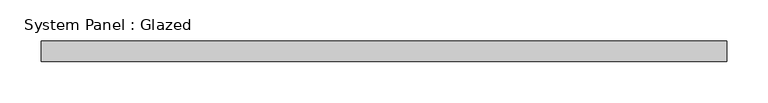
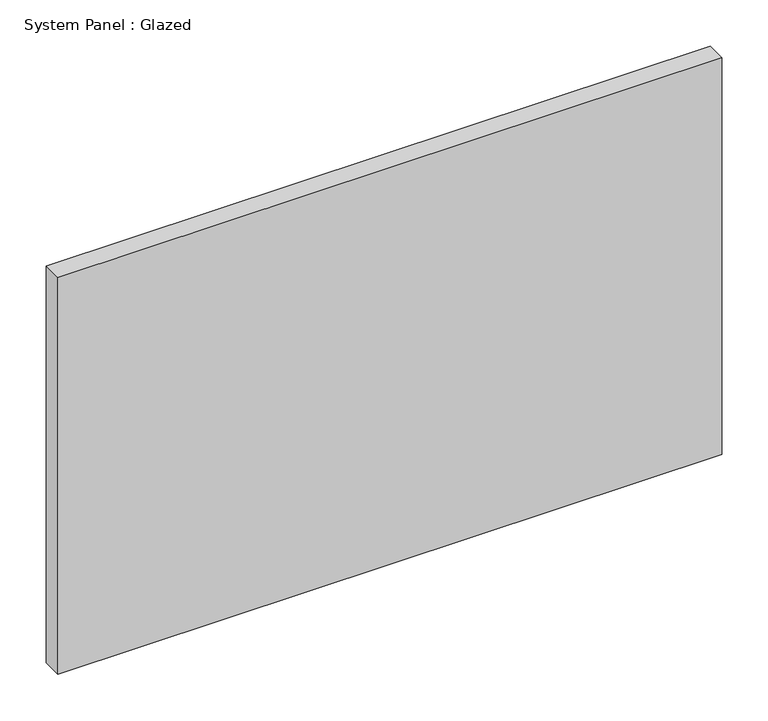
"""IFC4 building model written with IfcOpenShell, lengths in millimetres: plate geometry, System Panel : Glazed."""

from ifc_helpers import new_model, si_unit, origin, origin_with_axes, place, context, project, spatial, polyline, outline, extrude, source, transform, mapped, element, save


def system_panel_glazed_7b7d3f13(model_context):
    return source(origin(), model_context, "Body", "SweptSolid", [
        extrude(outline(polyline([(415.0, 24.5), (-415.0, 24.5), (-415.0, 49.5), (415.0, 49.5), (415.0, 24.5)])), origin_with_axes(), (0.0, 0.0, 1.0), 525.0),
    ])


if __name__ == "__main__":
    model = new_model("IFC4")
    model_context = context("Model", 3, world=origin())
    ifc_project = project(units=[si_unit("LENGTHUNIT", "METRE", prefix="MILLI")], contexts=[model_context])
    site = spatial("IfcSite", under=ifc_project)
    building = spatial("IfcBuilding", under=site)
    placement = place(None, origin())
    system_panel_glazed_shape = system_panel_glazed_7b7d3f13(model_context)
    element("IfcPlate", 1, ObjectType="System Panel : Glazed", at=placement, inside=building, context=model_context, shape_type="MappedRepresentation", body=[
        mapped(system_panel_glazed_shape, transform((0.0, 0.0, 0.0), x_axis=(1.0, 0.0, 0.0), y_axis=(0.0, 1.0, 0.0), z_axis=(0.0, 0.0, 1.0))),
    ])
    save(model, "model.ifc")
